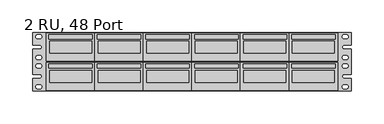
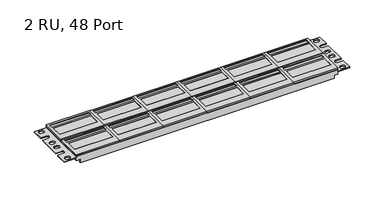
"""IFC4 building model written with IfcOpenShell, lengths in millimetres: electric appliance geometry, 2 RU, 48 Port."""

from ifc_helpers import new_model, si_unit, frame, origin, place, context, project, spatial, polyline, circle_curve, outline, extrude, faceted_brep, source, transform, mapped, element, save
from ifc_brep_helpers import plane_surface, revolved_surface, advanced_brep


def electric_appliance_2_ru_48_port_1544921a(model_context):
    return source(origin(), model_context, "Body", "SolidModel", [
        faceted_brep([(221.107, 5.461, 6.7056), (147.193, 5.461, 6.7056), (147.193, -37.211, 6.7056), (221.107, -37.211, 6.7056), (152.2476, -25.019, 6.7056), (152.2476, -6.731, 6.7056), (216.0524, -6.731, 6.7056), (216.0524, -25.019, 6.7056), (151.165125, 2.923975, 6.7056), (217.134875, 2.923975, 6.7056), (217.134875, -3.279575, 6.7056), (151.165125, -3.279575, 6.7056), (221.107, 5.461, 4.064), (221.107, -37.211, 4.064), (147.193, -37.211, 4.064), (147.193, 5.461, 4.064), (152.2476, -6.731, 4.064), (152.2476, -25.019, 4.064), (216.0524, -25.019, 4.064), (216.0524, -6.731, 4.064), (217.134875, 2.923975, 5.08), (151.165125, 2.923975, 5.08), (151.165125, -3.279575, 5.08), (217.134875, -3.279575, 5.08)], [[[0, 1, 2, 3], [4, 5, 6, 7], [8, 9, 10, 11]], [[12, 13, 14, 15], [16, 17, 18, 19]], [[1, 0, 12, 15]], [[2, 1, 15, 14]], [[3, 2, 14, 13]], [[0, 3, 13, 12]], [[16, 5, 4, 17]], [[5, 16, 19, 6]], [[17, 4, 7, 18]], [[6, 19, 18, 7]], [[20, 21, 22, 23]], [[21, 20, 9, 8]], [[22, 21, 8, 11]], [[23, 22, 11, 10]], [[20, 23, 10, 9]]]),
        extrude(outline(polyline([(152.2476, -25.019), (152.2476, -6.731), (216.0524, -6.731), (216.0524, -25.019), (152.2476, -25.019)])), frame((0.0, 0.0, 4.064), z_axis=(0.0, 0.0, 1.0), x_axis=(1.0, 0.0, 0.0)), (0.0, 0.0, 1.0), 2.6416),
        faceted_brep([(221.107, -38.989, 6.7056), (147.193, -38.989, 6.7056), (147.193, -81.661, 6.7056), (221.107, -81.661, 6.7056), (152.2476, -69.469, 6.7056), (152.2476, -51.181, 6.7056), (216.0524, -51.181, 6.7056), (216.0524, -69.469, 6.7056), (151.165125, -41.526025, 6.7056), (217.134875, -41.526025, 6.7056), (217.134875, -47.729575, 6.7056), (151.165125, -47.729575, 6.7056), (221.107, -38.989, 4.064), (221.107, -81.661, 4.064), (147.193, -81.661, 4.064), (147.193, -38.989, 4.064), (152.2476, -51.181, 4.064), (152.2476, -69.469, 4.064), (216.0524, -69.469, 4.064), (216.0524, -51.181, 4.064), (217.134875, -41.526025, 5.08), (151.165125, -41.526025, 5.08), (151.165125, -47.729575, 5.08), (217.134875, -47.729575, 5.08)], [[[0, 1, 2, 3], [4, 5, 6, 7], [8, 9, 10, 11]], [[12, 13, 14, 15], [16, 17, 18, 19]], [[1, 0, 12, 15]], [[2, 1, 15, 14]], [[3, 2, 14, 13]], [[0, 3, 13, 12]], [[16, 5, 4, 17]], [[5, 16, 19, 6]], [[17, 4, 7, 18]], [[6, 19, 18, 7]], [[20, 21, 22, 23]], [[21, 20, 9, 8]], [[22, 21, 8, 11]], [[23, 22, 11, 10]], [[20, 23, 10, 9]]]),
        extrude(outline(polyline([(152.2476, -69.469), (152.2476, -51.181), (216.0524, -51.181), (216.0524, -69.469), (152.2476, -69.469)])), frame((0.0, 0.0, 4.064), z_axis=(0.0, 0.0, 1.0), x_axis=(1.0, 0.0, 0.0)), (0.0, 0.0, 1.0), 2.6416),
        faceted_brep([(147.447, -38.989, 6.7056), (73.533, -38.989, 6.7056), (73.533, -81.661, 6.7056), (147.447, -81.661, 6.7056), (78.5876, -69.469, 6.7056), (78.5876, -51.181, 6.7056), (142.3924, -51.181, 6.7056), (142.3924, -69.469, 6.7056), (77.505125, -41.526025, 6.7056), (143.474875, -41.526025, 6.7056), (143.474875, -47.729575, 6.7056), (77.505125, -47.729575, 6.7056), (147.447, -38.989, 4.064), (147.447, -81.661, 4.064), (73.533, -81.661, 4.064), (73.533, -38.989, 4.064), (78.5876, -51.181, 4.064), (78.5876, -69.469, 4.064), (142.3924, -69.469, 4.064), (142.3924, -51.181, 4.064), (143.474875, -41.526025, 5.08), (77.505125, -41.526025, 5.08), (77.505125, -47.729575, 5.08), (143.474875, -47.729575, 5.08)], [[[0, 1, 2, 3], [4, 5, 6, 7], [8, 9, 10, 11]], [[12, 13, 14, 15], [16, 17, 18, 19]], [[1, 0, 12, 15]], [[2, 1, 15, 14]], [[3, 2, 14, 13]], [[0, 3, 13, 12]], [[16, 5, 4, 17]], [[5, 16, 19, 6]], [[17, 4, 7, 18]], [[6, 19, 18, 7]], [[20, 21, 22, 23]], [[21, 20, 9, 8]], [[22, 21, 8, 11]], [[23, 22, 11, 10]], [[20, 23, 10, 9]]]),
        extrude(outline(polyline([(78.5876, -69.469), (78.5876, -51.181), (142.3924, -51.181), (142.3924, -69.469), (78.5876, -69.469)])), frame((0.0, 0.0, 4.064), z_axis=(0.0, 0.0, 1.0), x_axis=(1.0, 0.0, 0.0)), (0.0, 0.0, 1.0), 2.6416),
        faceted_brep([(147.447, 5.461, 6.7056), (73.533, 5.461, 6.7056), (73.533, -37.211, 6.7056), (147.447, -37.211, 6.7056), (78.5876, -25.019, 6.7056), (78.5876, -6.731, 6.7056), (142.3924, -6.731, 6.7056), (142.3924, -25.019, 6.7056), (77.505125, 2.923975, 6.7056), (143.474875, 2.923975, 6.7056), (143.474875, -3.279575, 6.7056), (77.505125, -3.279575, 6.7056), (147.447, 5.461, 4.064), (147.447, -37.211, 4.064), (73.533, -37.211, 4.064), (73.533, 5.461, 4.064), (78.5876, -6.731, 4.064), (78.5876, -25.019, 4.064), (142.3924, -25.019, 4.064), (142.3924, -6.731, 4.064), (143.474875, 2.923975, 5.08), (77.505125, 2.923975, 5.08), (77.505125, -3.279575, 5.08), (143.474875, -3.279575, 5.08)], [[[0, 1, 2, 3], [4, 5, 6, 7], [8, 9, 10, 11]], [[12, 13, 14, 15], [16, 17, 18, 19]], [[1, 0, 12, 15]], [[2, 1, 15, 14]], [[3, 2, 14, 13]], [[0, 3, 13, 12]], [[16, 5, 4, 17]], [[5, 16, 19, 6]], [[17, 4, 7, 18]], [[6, 19, 18, 7]], [[20, 21, 22, 23]], [[21, 20, 9, 8]], [[22, 21, 8, 11]], [[23, 22, 11, 10]], [[20, 23, 10, 9]]]),
        extrude(outline(polyline([(78.5876, -25.019), (78.5876, -6.731), (142.3924, -6.731), (142.3924, -25.019), (78.5876, -25.019)])), frame((0.0, 0.0, 4.064), z_axis=(0.0, 0.0, 1.0), x_axis=(1.0, 0.0, 0.0)), (0.0, 0.0, 1.0), 2.6416),
        faceted_brep([(73.787, 5.461, 6.7056), (-0.127, 5.461, 6.7056), (-0.127, -37.211, 6.7056), (73.787, -37.211, 6.7056), (4.9276, -25.019, 6.7056), (4.9276, -6.731, 6.7056), (68.7324, -6.731, 6.7056), (68.7324, -25.019, 6.7056), (3.845125, 2.923975, 6.7056), (69.814875, 2.923975, 6.7056), (69.814875, -3.279575, 6.7056), (3.845125, -3.279575, 6.7056), (73.787, 5.461, 4.064), (73.787, -37.211, 4.064), (-0.127, -37.211, 4.064), (-0.127, 5.461, 4.064), (4.9276, -6.731, 4.064), (4.9276, -25.019, 4.064), (68.7324, -25.019, 4.064), (68.7324, -6.731, 4.064), (69.814875, 2.923975, 5.08), (3.845125, 2.923975, 5.08), (3.845125, -3.279575, 5.08), (69.814875, -3.279575, 5.08)], [[[0, 1, 2, 3], [4, 5, 6, 7], [8, 9, 10, 11]], [[12, 13, 14, 15], [16, 17, 18, 19]], [[1, 0, 12, 15]], [[2, 1, 15, 14]], [[3, 2, 14, 13]], [[0, 3, 13, 12]], [[16, 5, 4, 17]], [[5, 16, 19, 6]], [[17, 4, 7, 18]], [[6, 19, 18, 7]], [[20, 21, 22, 23]], [[21, 20, 9, 8]], [[22, 21, 8, 11]], [[23, 22, 11, 10]], [[20, 23, 10, 9]]]),
        extrude(outline(polyline([(4.9276, -25.019), (4.9276, -6.731), (68.7324, -6.731), (68.7324, -25.019), (4.9276, -25.019)])), frame((0.0, 0.0, 4.064), z_axis=(0.0, 0.0, 1.0), x_axis=(1.0, 0.0, 0.0)), (0.0, 0.0, 1.0), 2.6416),
        faceted_brep([(73.787, -38.989, 6.7056), (-0.127, -38.989, 6.7056), (-0.127, -81.661, 6.7056), (73.787, -81.661, 6.7056), (4.9276, -69.469, 6.7056), (4.9276, -51.181, 6.7056), (68.7324, -51.181, 6.7056), (68.7324, -69.469, 6.7056), (3.845125, -41.526025, 6.7056), (69.814875, -41.526025, 6.7056), (69.814875, -47.729575, 6.7056), (3.845125, -47.729575, 6.7056), (73.787, -38.989, 4.064), (73.787, -81.661, 4.064), (-0.127, -81.661, 4.064), (-0.127, -38.989, 4.064), (4.9276, -51.181, 4.064), (4.9276, -69.469, 4.064), (68.7324, -69.469, 4.064), (68.7324, -51.181, 4.064), (69.814875, -41.526025, 5.08), (3.845125, -41.526025, 5.08), (3.845125, -47.729575, 5.08), (69.814875, -47.729575, 5.08)], [[[0, 1, 2, 3], [4, 5, 6, 7], [8, 9, 10, 11]], [[12, 13, 14, 15], [16, 17, 18, 19]], [[1, 0, 12, 15]], [[2, 1, 15, 14]], [[3, 2, 14, 13]], [[0, 3, 13, 12]], [[16, 5, 4, 17]], [[5, 16, 19, 6]], [[17, 4, 7, 18]], [[6, 19, 18, 7]], [[20, 21, 22, 23]], [[21, 20, 9, 8]], [[22, 21, 8, 11]], [[23, 22, 11, 10]], [[20, 23, 10, 9]]]),
        extrude(outline(polyline([(4.9276, -69.469), (4.9276, -51.181), (68.7324, -51.181), (68.7324, -69.469), (4.9276, -69.469)])), frame((0.0, 0.0, 4.064), z_axis=(0.0, 0.0, 1.0), x_axis=(1.0, 0.0, 0.0)), (0.0, 0.0, 1.0), 2.6416),
        faceted_brep([(0.127, -38.989, 6.7056), (-73.787, -38.989, 6.7056), (-73.787, -81.661, 6.7056), (0.127, -81.661, 6.7056), (-68.7324, -69.469, 6.7056), (-68.7324, -51.181, 6.7056), (-4.9276, -51.181, 6.7056), (-4.9276, -69.469, 6.7056), (-69.814875, -41.526025, 6.7056), (-3.845125, -41.526025, 6.7056), (-3.845125, -47.729575, 6.7056), (-69.814875, -47.729575, 6.7056), (0.127, -38.989, 4.064), (0.127, -81.661, 4.064), (-73.787, -81.661, 4.064), (-73.787, -38.989, 4.064), (-68.7324, -51.181, 4.064), (-68.7324, -69.469, 4.064), (-4.9276, -69.469, 4.064), (-4.9276, -51.181, 4.064), (-3.845125, -41.526025, 5.08), (-69.814875, -41.526025, 5.08), (-69.814875, -47.729575, 5.08), (-3.845125, -47.729575, 5.08)], [[[0, 1, 2, 3], [4, 5, 6, 7], [8, 9, 10, 11]], [[12, 13, 14, 15], [16, 17, 18, 19]], [[1, 0, 12, 15]], [[2, 1, 15, 14]], [[3, 2, 14, 13]], [[0, 3, 13, 12]], [[16, 5, 4, 17]], [[5, 16, 19, 6]], [[17, 4, 7, 18]], [[6, 19, 18, 7]], [[20, 21, 22, 23]], [[21, 20, 9, 8]], [[22, 21, 8, 11]], [[23, 22, 11, 10]], [[20, 23, 10, 9]]]),
        extrude(outline(polyline([(-68.7324, -69.469), (-68.7324, -51.181), (-4.9276, -51.181), (-4.9276, -69.469), (-68.7324, -69.469)])), frame((0.0, 0.0, 4.064), z_axis=(0.0, 0.0, 1.0), x_axis=(1.0, 0.0, 0.0)), (0.0, 0.0, 1.0), 2.6416),
        faceted_brep([(0.127, 5.461, 6.7056), (-73.787, 5.461, 6.7056), (-73.787, -37.211, 6.7056), (0.127, -37.211, 6.7056), (-68.7324, -25.019, 6.7056), (-68.7324, -6.731, 6.7056), (-4.9276, -6.731, 6.7056), (-4.9276, -25.019, 6.7056), (-69.814875, 2.923975, 6.7056), (-3.845125, 2.923975, 6.7056), (-3.845125, -3.279575, 6.7056), (-69.814875, -3.279575, 6.7056), (0.127, 5.461, 4.064), (0.127, -37.211, 4.064), (-73.787, -37.211, 4.064), (-73.787, 5.461, 4.064), (-68.7324, -6.731, 4.064), (-68.7324, -25.019, 4.064), (-4.9276, -25.019, 4.064), (-4.9276, -6.731, 4.064), (-3.845125, 2.923975, 5.08), (-69.814875, 2.923975, 5.08), (-69.814875, -3.279575, 5.08), (-3.845125, -3.279575, 5.08)], [[[0, 1, 2, 3], [4, 5, 6, 7], [8, 9, 10, 11]], [[12, 13, 14, 15], [16, 17, 18, 19]], [[1, 0, 12, 15]], [[2, 1, 15, 14]], [[3, 2, 14, 13]], [[0, 3, 13, 12]], [[16, 5, 4, 17]], [[5, 16, 19, 6]], [[17, 4, 7, 18]], [[6, 19, 18, 7]], [[20, 21, 22, 23]], [[21, 20, 9, 8]], [[22, 21, 8, 11]], [[23, 22, 11, 10]], [[20, 23, 10, 9]]]),
        extrude(outline(polyline([(-68.7324, -25.019), (-68.7324, -6.731), (-4.9276, -6.731), (-4.9276, -25.019), (-68.7324, -25.019)])), frame((0.0, 0.0, 4.064), z_axis=(0.0, 0.0, 1.0), x_axis=(1.0, 0.0, 0.0)), (0.0, 0.0, 1.0), 2.6416),
        faceted_brep([(-73.533, 5.461, 6.7056), (-147.447, 5.461, 6.7056), (-147.447, -37.211, 6.7056), (-73.533, -37.211, 6.7056), (-142.3924, -25.019, 6.7056), (-142.3924, -6.731, 6.7056), (-78.5876, -6.731, 6.7056), (-78.5876, -25.019, 6.7056), (-143.474875, 2.923975, 6.7056), (-77.505125, 2.923975, 6.7056), (-77.505125, -3.279575, 6.7056), (-143.474875, -3.279575, 6.7056), (-73.533, 5.461, 4.064), (-73.533, -37.211, 4.064), (-147.447, -37.211, 4.064), (-147.447, 5.461, 4.064), (-142.3924, -6.731, 4.064), (-142.3924, -25.019, 4.064), (-78.5876, -25.019, 4.064), (-78.5876, -6.731, 4.064), (-77.505125, 2.923975, 5.08), (-143.474875, 2.923975, 5.08), (-143.474875, -3.279575, 5.08), (-77.505125, -3.279575, 5.08)], [[[0, 1, 2, 3], [4, 5, 6, 7], [8, 9, 10, 11]], [[12, 13, 14, 15], [16, 17, 18, 19]], [[1, 0, 12, 15]], [[2, 1, 15, 14]], [[3, 2, 14, 13]], [[0, 3, 13, 12]], [[16, 5, 4, 17]], [[5, 16, 19, 6]], [[17, 4, 7, 18]], [[6, 19, 18, 7]], [[20, 21, 22, 23]], [[21, 20, 9, 8]], [[22, 21, 8, 11]], [[23, 22, 11, 10]], [[20, 23, 10, 9]]]),
        extrude(outline(polyline([(-142.3924, -25.019), (-142.3924, -6.731), (-78.5876, -6.731), (-78.5876, -25.019), (-142.3924, -25.019)])), frame((0.0, 0.0, 4.064), z_axis=(0.0, 0.0, 1.0), x_axis=(1.0, 0.0, 0.0)), (0.0, 0.0, 1.0), 2.6416),
        faceted_brep([(-73.533, -38.989, 6.7056), (-147.447, -38.989, 6.7056), (-147.447, -81.661, 6.7056), (-73.533, -81.661, 6.7056), (-142.3924, -69.469, 6.7056), (-142.3924, -51.181, 6.7056), (-78.5876, -51.181, 6.7056), (-78.5876, -69.469, 6.7056), (-143.474875, -41.526025, 6.7056), (-77.505125, -41.526025, 6.7056), (-77.505125, -47.729575, 6.7056), (-143.474875, -47.729575, 6.7056), (-73.533, -38.989, 4.064), (-73.533, -81.661, 4.064), (-147.447, -81.661, 4.064), (-147.447, -38.989, 4.064), (-142.3924, -51.181, 4.064), (-142.3924, -69.469, 4.064), (-78.5876, -69.469, 4.064), (-78.5876, -51.181, 4.064), (-77.505125, -41.526025, 5.08), (-143.474875, -41.526025, 5.08), (-143.474875, -47.729575, 5.08), (-77.505125, -47.729575, 5.08)], [[[0, 1, 2, 3], [4, 5, 6, 7], [8, 9, 10, 11]], [[12, 13, 14, 15], [16, 17, 18, 19]], [[1, 0, 12, 15]], [[2, 1, 15, 14]], [[3, 2, 14, 13]], [[0, 3, 13, 12]], [[16, 5, 4, 17]], [[5, 16, 19, 6]], [[17, 4, 7, 18]], [[6, 19, 18, 7]], [[20, 21, 22, 23]], [[21, 20, 9, 8]], [[22, 21, 8, 11]], [[23, 22, 11, 10]], [[20, 23, 10, 9]]]),
        extrude(outline(polyline([(-142.3924, -69.469), (-142.3924, -51.181), (-78.5876, -51.181), (-78.5876, -69.469), (-142.3924, -69.469)])), frame((0.0, 0.0, 4.064), z_axis=(0.0, 0.0, 1.0), x_axis=(1.0, 0.0, 0.0)), (0.0, 0.0, 1.0), 2.6416),
        faceted_brep([(-147.193, 5.461, 6.7056), (-221.107, 5.461, 6.7056), (-221.107, -37.211, 6.7056), (-147.193, -37.211, 6.7056), (-216.0524, -25.019, 6.7056), (-216.0524, -6.731, 6.7056), (-152.2476, -6.731, 6.7056), (-152.2476, -25.019, 6.7056), (-217.134875, 2.923975, 6.7056), (-151.165125, 2.923975, 6.7056), (-151.165125, -3.279575, 6.7056), (-217.134875, -3.279575, 6.7056), (-147.193, 5.461, 4.064), (-147.193, -37.211, 4.064), (-221.107, -37.211, 4.064), (-221.107, 5.461, 4.064), (-216.0524, -6.731, 4.064), (-216.0524, -25.019, 4.064), (-152.2476, -25.019, 4.064), (-152.2476, -6.731, 4.064), (-151.165125, 2.923975, 5.08), (-217.134875, 2.923975, 5.08), (-217.134875, -3.279575, 5.08), (-151.165125, -3.279575, 5.08)], [[[0, 1, 2, 3], [4, 5, 6, 7], [8, 9, 10, 11]], [[12, 13, 14, 15], [16, 17, 18, 19]], [[1, 0, 12, 15]], [[2, 1, 15, 14]], [[3, 2, 14, 13]], [[0, 3, 13, 12]], [[16, 5, 4, 17]], [[5, 16, 19, 6]], [[17, 4, 7, 18]], [[6, 19, 18, 7]], [[20, 21, 22, 23]], [[21, 20, 9, 8]], [[22, 21, 8, 11]], [[23, 22, 11, 10]], [[20, 23, 10, 9]]]),
        extrude(outline(polyline([(-216.0524, -25.019), (-216.0524, -6.731), (-152.2476, -6.731), (-152.2476, -25.019), (-216.0524, -25.019)])), frame((0.0, 0.0, 4.064), z_axis=(0.0, 0.0, 1.0), x_axis=(1.0, 0.0, 0.0)), (0.0, 0.0, 1.0), 2.6416),
        faceted_brep([(-147.193, -38.989, 6.7056), (-221.107, -38.989, 6.7056), (-221.107, -81.661, 6.7056), (-147.193, -81.661, 6.7056), (-216.0524, -69.469, 6.7056), (-216.0524, -51.181, 6.7056), (-152.2476, -51.181, 6.7056), (-152.2476, -69.469, 6.7056), (-217.134875, -41.526025, 6.7056), (-151.165125, -41.526025, 6.7056), (-151.165125, -47.729575, 6.7056), (-217.134875, -47.729575, 6.7056), (-147.193, -38.989, 4.064), (-147.193, -81.661, 4.064), (-221.107, -81.661, 4.064), (-221.107, -38.989, 4.064), (-216.0524, -51.181, 4.064), (-216.0524, -69.469, 4.064), (-152.2476, -69.469, 4.064), (-152.2476, -51.181, 4.064), (-151.165125, -41.526025, 5.08), (-217.134875, -41.526025, 5.08), (-217.134875, -47.729575, 5.08), (-151.165125, -47.729575, 5.08)], [[[0, 1, 2, 3], [4, 5, 6, 7], [8, 9, 10, 11]], [[12, 13, 14, 15], [16, 17, 18, 19]], [[1, 0, 12, 15]], [[2, 1, 15, 14]], [[3, 2, 14, 13]], [[0, 3, 13, 12]], [[16, 5, 4, 17]], [[5, 16, 19, 6]], [[17, 4, 7, 18]], [[6, 19, 18, 7]], [[20, 21, 22, 23]], [[21, 20, 9, 8]], [[22, 21, 8, 11]], [[23, 22, 11, 10]], [[20, 23, 10, 9]]]),
        extrude(outline(polyline([(-216.0524, -69.469), (-216.0524, -51.181), (-152.2476, -51.181), (-152.2476, -69.469), (-216.0524, -69.469)])), frame((0.0, 0.0, 4.064), z_axis=(0.0, 0.0, 1.0), x_axis=(1.0, 0.0, 0.0)), (0.0, 0.0, 1.0), 2.6416),
        advanced_brep(
        [(241.3, -82.169, 1.524), (220.599, -82.169, 1.524), (220.599, -82.169, 4.064), (-220.599, -82.169, 4.064), (-220.599, -82.169, 1.524), (-241.3, -82.169, 1.524), (-241.3, -82.169, 0.0), (-220.98, -82.169, 0.0), (-220.98, -82.169, -4.064), (-214.63, -82.169, -4.064), (-214.63, -82.169, -9.652), (214.63, -82.169, -9.652), (214.63, -82.169, -4.064), (220.98, -82.169, -4.064), (220.98, -82.169, 0.0), (241.3, -82.169, 0.0), (241.3, 5.969, 1.524), (241.3, 5.969, 0.0), (220.98, 5.969, 0.0), (220.98, 5.969, -4.064), (214.63, 5.969, -4.064), (214.63, 5.969, -9.652), (-214.63, 5.969, -9.652), (-214.63, 5.969, -4.064), (-220.98, 5.969, -4.064), (-220.98, 5.969, 0.0), (-241.3, 5.969, 0.0), (-241.3, 5.969, 1.524), (-220.599, 5.969, 1.524), (-220.599, 5.969, 4.064), (220.599, 5.969, 4.064), (220.599, 5.969, 1.524), (241.3, -63.5, 1.524), (231.14, -63.5, 1.524), (231.14, -57.15, 1.524), (241.3, -57.15, 1.524), (241.3, -19.05, 1.524), (231.14, -19.05, 1.524), (231.14, -12.7, 1.524), (241.3, -12.7, 1.524), (233.68, 3.175, 1.524), (233.68, -3.175, 1.524), (231.14, -3.175, 1.524), (231.14, 3.175, 1.524), (233.68, -28.575, 1.524), (233.68, -34.925, 1.524), (231.14, -34.925, 1.524), (231.14, -28.575, 1.524), (233.68, -41.275, 1.524), (233.68, -47.625, 1.524), (231.14, -47.625, 1.524), (231.14, -41.275, 1.524), (233.68, -73.025, 1.524), (233.68, -79.375, 1.524), (231.14, -79.375, 1.524), (231.14, -73.025, 1.524), (-152.146, -6.731, 4.064), (-152.146, -25.019, 4.064), (-216.154, -25.019, 4.064), (-216.154, -6.731, 4.064), (152.146, -25.019, 4.064), (152.146, -6.731, 4.064), (216.154, -6.731, 4.064), (216.154, -25.019, 4.064), (-216.154, -51.181, 4.064), (-152.146, -51.181, 4.064), (-152.146, -69.469, 4.064), (-216.154, -69.469, 4.064), (216.154, -69.469, 4.064), (152.146, -69.469, 4.064), (152.146, -51.181, 4.064), (216.154, -51.181, 4.064), (-78.486, -69.469, 4.064), (-142.494, -69.469, 4.064), (-142.494, -51.181, 4.064), (-78.486, -51.181, 4.064), (-4.826, -69.469, 4.064), (-68.834, -69.469, 4.064), (-68.834, -51.181, 4.064), (-4.826, -51.181, 4.064), (68.834, -69.469, 4.064), (4.826, -69.469, 4.064), (4.826, -51.181, 4.064), (68.834, -51.181, 4.064), (142.494, -69.469, 4.064), (78.486, -69.469, 4.064), (78.486, -51.181, 4.064), (142.494, -51.181, 4.064), (78.486, -6.731, 4.064), (142.494, -6.731, 4.064), (142.494, -25.019, 4.064), (78.486, -25.019, 4.064), (4.826, -6.731, 4.064), (68.834, -6.731, 4.064), (68.834, -25.019, 4.064), (4.826, -25.019, 4.064), (-68.834, -6.731, 4.064), (-4.826, -6.731, 4.064), (-4.826, -25.019, 4.064), (-68.834, -25.019, 4.064), (-142.494, -6.731, 4.064), (-78.486, -6.731, 4.064), (-78.486, -25.019, 4.064), (-142.494, -25.019, 4.064), (-241.3, -12.7, 1.524), (-231.14, -12.7, 1.524), (-231.14, -19.05, 1.524), (-241.3, -19.05, 1.524), (-241.3, -57.15, 1.524), (-231.14, -57.15, 1.524), (-231.14, -63.5, 1.524), (-241.3, -63.5, 1.524), (-231.14, -3.175, 1.524), (-233.68, -3.175, 1.524), (-233.68, 3.175, 1.524), (-231.14, 3.175, 1.524), (-231.14, -34.925, 1.524), (-233.68, -34.925, 1.524), (-233.68, -28.575, 1.524), (-231.14, -28.575, 1.524), (-231.14, -47.625, 1.524), (-233.68, -47.625, 1.524), (-233.68, -41.275, 1.524), (-231.14, -41.275, 1.524), (-231.14, -79.375, 1.524), (-233.68, -79.375, 1.524), (-233.68, -73.025, 1.524), (-231.14, -73.025, 1.524), (-241.3, -63.5, 0.0), (-241.3, -12.7, 0.0), (-241.3, -19.05, 0.0), (-241.3, -57.15, 0.0), (-231.14, -63.5, 0.0), (-231.14, -57.15, 0.0), (-231.14, -19.05, 0.0), (-231.14, -12.7, 0.0), (-220.98, 4.445, 0.0), (220.98, 4.445, 0.0), (241.3, -12.7, 0.0), (231.14, -12.7, 0.0), (231.14, -19.05, 0.0), (241.3, -19.05, 0.0), (241.3, -57.15, 0.0), (231.14, -57.15, 0.0), (231.14, -63.5, 0.0), (241.3, -63.5, 0.0), (220.98, -80.645, 0.0), (-220.98, -80.645, 0.0), (-233.68, -3.175, 0.0), (-231.14, -3.175, 0.0), (-231.14, 3.175, 0.0), (-233.68, 3.175, 0.0), (-233.68, -34.925, 0.0), (-231.14, -34.925, 0.0), (-231.14, -28.575, 0.0), (-233.68, -28.575, 0.0), (-233.68, -47.625, 0.0), (-231.14, -47.625, 0.0), (-231.14, -41.275, 0.0), (-233.68, -41.275, 0.0), (-233.68, -79.375, 0.0), (-231.14, -79.375, 0.0), (-231.14, -73.025, 0.0), (-233.68, -73.025, 0.0), (233.68, -3.175, 0.0), (233.68, 3.175, 0.0), (231.14, 3.175, 0.0), (231.14, -3.175, 0.0), (233.68, -34.925, 0.0), (233.68, -28.575, 0.0), (231.14, -28.575, 0.0), (231.14, -34.925, 0.0), (233.68, -47.625, 0.0), (233.68, -41.275, 0.0), (231.14, -41.275, 0.0), (231.14, -47.625, 0.0), (233.68, -79.375, 0.0), (233.68, -73.025, 0.0), (231.14, -73.025, 0.0), (231.14, -79.375, 0.0), (-152.146, -25.019, 0.0), (-152.146, -6.731, 0.0), (-216.154, -6.731, 0.0), (-216.154, -25.019, 0.0), (152.146, -6.731, 0.0), (152.146, -25.019, 0.0), (216.154, -25.019, 0.0), (216.154, -6.731, 0.0), (-152.146, -51.181, 0.0), (-216.154, -51.181, 0.0), (-216.154, -69.469, 0.0), (-152.146, -69.469, 0.0), (152.146, -69.469, 0.0), (216.154, -69.469, 0.0), (216.154, -51.181, 0.0), (152.146, -51.181, 0.0), (-142.494, -69.469, 0.0), (-78.486, -69.469, 0.0), (-78.486, -51.181, 0.0), (-142.494, -51.181, 0.0), (-68.834, -69.469, 0.0), (-4.826, -69.469, 0.0), (-4.826, -51.181, 0.0), (-68.834, -51.181, 0.0), (4.826, -69.469, 0.0), (68.834, -69.469, 0.0), (68.834, -51.181, 0.0), (4.826, -51.181, 0.0), (78.486, -69.469, 0.0), (142.494, -69.469, 0.0), (142.494, -51.181, 0.0), (78.486, -51.181, 0.0), (142.494, -6.731, 0.0), (78.486, -6.731, 0.0), (78.486, -25.019, 0.0), (142.494, -25.019, 0.0), (68.834, -6.731, 0.0), (4.826, -6.731, 0.0), (4.826, -25.019, 0.0), (68.834, -25.019, 0.0), (-4.826, -6.731, 0.0), (-68.834, -6.731, 0.0), (-68.834, -25.019, 0.0), (-4.826, -25.019, 0.0), (-78.486, -6.731, 0.0), (-142.494, -6.731, 0.0), (-142.494, -25.019, 0.0), (-78.486, -25.019, 0.0), (-220.98, -80.645, -4.064), (-220.98, 4.445, -4.064), (-214.63, -80.645, -4.064), (-214.63, 4.445, -4.064), (-214.63, -80.645, -9.652), (-214.63, 4.445, -9.652), (214.63, -80.645, -9.652), (214.63, 4.445, -9.652), (214.63, -80.645, -4.064), (214.63, 4.445, -4.064), (220.98, -80.645, -4.064), (220.98, 4.445, -4.064)],
        [
            (0, 1),
            (1, 2),
            (2, 3),
            (3, 4),
            (4, 5),
            (5, 6),
            (6, 7),
            (7, 8),
            (8, 9),
            (9, 10),
            (10, 11),
            (11, 12),
            (12, 13),
            (13, 14),
            (14, 15),
            (15, 0),
            (16, 17),
            (17, 18),
            (18, 19),
            (19, 20),
            (20, 21),
            (21, 22),
            (22, 23),
            (23, 24),
            (24, 25),
            (25, 26),
            (26, 27),
            (27, 28),
            (28, 29),
            (29, 30),
            (30, 31),
            (31, 16),
            (0, 32),
            (32, 33),
            (33, 34, circle_curve(frame((231.14, -60.325, 1.524), z_axis=(0.0, 0.0, -1.0), x_axis=(1.0, 0.0, 0.0)), 3.175)),
            (34, 35),
            (35, 36),
            (36, 37),
            (37, 38, circle_curve(frame((231.14, -15.875, 1.524), z_axis=(0.0, 0.0, -1.0), x_axis=(1.0, 0.0, 0.0)), 3.175)),
            (38, 39),
            (39, 16),
            (31, 1),
            (40, 41, circle_curve(frame((233.68, 0.0, 1.524), z_axis=(0.0, 0.0, -1.0), x_axis=(1.0, 0.0, 0.0)), 3.175)),
            (41, 42),
            (42, 43, circle_curve(frame((231.14, 0.0, 1.524), z_axis=(0.0, 0.0, -1.0), x_axis=(1.0, 0.0, 0.0)), 3.175)),
            (43, 40),
            (44, 45, circle_curve(frame((233.68, -31.75, 1.524), z_axis=(0.0, 0.0, -1.0), x_axis=(1.0, 0.0, 0.0)), 3.175)),
            (45, 46),
            (46, 47, circle_curve(frame((231.14, -31.75, 1.524), z_axis=(0.0, 0.0, -1.0), x_axis=(1.0, 0.0, 0.0)), 3.175)),
            (47, 44),
            (48, 49, circle_curve(frame((233.68, -44.45, 1.524), z_axis=(0.0, 0.0, -1.0), x_axis=(1.0, 0.0, 0.0)), 3.175)),
            (49, 50),
            (50, 51, circle_curve(frame((231.14, -44.45, 1.524), z_axis=(0.0, 0.0, -1.0), x_axis=(1.0, 0.0, 0.0)), 3.175)),
            (51, 48),
            (52, 53, circle_curve(frame((233.68, -76.2, 1.524), z_axis=(0.0, 0.0, -1.0), x_axis=(1.0, 0.0, 0.0)), 3.175)),
            (53, 54),
            (54, 55, circle_curve(frame((231.14, -76.2, 1.524), z_axis=(0.0, 0.0, -1.0), x_axis=(1.0, 0.0, 0.0)), 3.175)),
            (55, 52),
            (30, 2),
            (29, 3),
            (56, 57),
            (57, 58),
            (58, 59),
            (59, 56),
            (60, 61),
            (61, 62),
            (62, 63),
            (63, 60),
            (64, 65),
            (65, 66),
            (66, 67),
            (67, 64),
            (68, 69),
            (69, 70),
            (70, 71),
            (71, 68),
            (72, 73),
            (73, 74),
            (74, 75),
            (75, 72),
            (76, 77),
            (77, 78),
            (78, 79),
            (79, 76),
            (80, 81),
            (81, 82),
            (82, 83),
            (83, 80),
            (84, 85),
            (85, 86),
            (86, 87),
            (87, 84),
            (88, 89),
            (89, 90),
            (90, 91),
            (91, 88),
            (92, 93),
            (93, 94),
            (94, 95),
            (95, 92),
            (96, 97),
            (97, 98),
            (98, 99),
            (99, 96),
            (100, 101),
            (101, 102),
            (102, 103),
            (103, 100),
            (28, 4),
            (27, 104),
            (104, 105),
            (105, 106, circle_curve(frame((-231.14, -15.875, 1.524), z_axis=(0.0, 0.0, -1.0), x_axis=(1.0, 0.0, 0.0)), 3.175)),
            (106, 107),
            (107, 108),
            (108, 109),
            (109, 110, circle_curve(frame((-231.14, -60.325, 1.524), z_axis=(0.0, 0.0, -1.0), x_axis=(1.0, 0.0, 0.0)), 3.175)),
            (110, 111),
            (111, 5),
            (112, 113),
            (113, 114, circle_curve(frame((-233.68, 0.0, 1.524), z_axis=(0.0, 0.0, -1.0), x_axis=(1.0, 0.0, 0.0)), 3.175)),
            (114, 115),
            (115, 112, circle_curve(frame((-231.14, 0.0, 1.524), z_axis=(0.0, 0.0, -1.0), x_axis=(1.0, 0.0, 0.0)), 3.175)),
            (116, 117),
            (117, 118, circle_curve(frame((-233.68, -31.75, 1.524), z_axis=(0.0, 0.0, -1.0), x_axis=(1.0, 0.0, 0.0)), 3.175)),
            (118, 119),
            (119, 116, circle_curve(frame((-231.14, -31.75, 1.524), z_axis=(0.0, 0.0, -1.0), x_axis=(1.0, 0.0, 0.0)), 3.175)),
            (120, 121),
            (121, 122, circle_curve(frame((-233.68, -44.45, 1.524), z_axis=(0.0, 0.0, -1.0), x_axis=(1.0, 0.0, 0.0)), 3.175)),
            (122, 123),
            (123, 120, circle_curve(frame((-231.14, -44.45, 1.524), z_axis=(0.0, 0.0, -1.0), x_axis=(1.0, 0.0, 0.0)), 3.175)),
            (124, 125),
            (125, 126, circle_curve(frame((-233.68, -76.2, 1.524), z_axis=(0.0, 0.0, -1.0), x_axis=(1.0, 0.0, 0.0)), 3.175)),
            (126, 127),
            (127, 124, circle_curve(frame((-231.14, -76.2, 1.524), z_axis=(0.0, 0.0, -1.0), x_axis=(1.0, 0.0, 0.0)), 3.175)),
            (111, 128),
            (128, 6),
            (26, 129),
            (129, 104),
            (107, 130),
            (130, 131),
            (131, 108),
            (128, 132),
            (132, 133, circle_curve(frame((-231.14, -60.325, 0.0), z_axis=(0.0, 0.0, 1.0), x_axis=(1.0, 0.0, 0.0)), 3.175)),
            (133, 131),
            (130, 134),
            (134, 135, circle_curve(frame((-231.14, -15.875, 0.0), z_axis=(0.0, 0.0, 1.0), x_axis=(1.0, 0.0, 0.0)), 3.175)),
            (135, 129),
            (25, 136),
            (136, 137),
            (137, 18),
            (17, 138),
            (138, 139),
            (139, 140, circle_curve(frame((231.14, -15.875, 0.0), z_axis=(0.0, 0.0, 1.0), x_axis=(1.0, 0.0, 0.0)), 3.175)),
            (140, 141),
            (141, 142),
            (142, 143),
            (143, 144, circle_curve(frame((231.14, -60.325, 0.0), z_axis=(0.0, 0.0, 1.0), x_axis=(1.0, 0.0, 0.0)), 3.175)),
            (144, 145),
            (145, 15),
            (14, 146),
            (146, 147),
            (147, 7),
            (148, 149),
            (149, 150, circle_curve(frame((-231.14, 0.0, 0.0), z_axis=(0.0, 0.0, 1.0), x_axis=(1.0, 0.0, 0.0)), 3.175)),
            (150, 151),
            (151, 148, circle_curve(frame((-233.68, 0.0, 0.0), z_axis=(0.0, 0.0, 1.0), x_axis=(1.0, 0.0, 0.0)), 3.175)),
            (152, 153),
            (153, 154, circle_curve(frame((-231.14, -31.75, 0.0), z_axis=(0.0, 0.0, 1.0), x_axis=(1.0, 0.0, 0.0)), 3.175)),
            (154, 155),
            (155, 152, circle_curve(frame((-233.68, -31.75, 0.0), z_axis=(0.0, 0.0, 1.0), x_axis=(1.0, 0.0, 0.0)), 3.175)),
            (156, 157),
            (157, 158, circle_curve(frame((-231.14, -44.45, 0.0), z_axis=(0.0, 0.0, 1.0), x_axis=(1.0, 0.0, 0.0)), 3.175)),
            (158, 159),
            (159, 156, circle_curve(frame((-233.68, -44.45, 0.0), z_axis=(0.0, 0.0, 1.0), x_axis=(1.0, 0.0, 0.0)), 3.175)),
            (160, 161),
            (161, 162, circle_curve(frame((-231.14, -76.2, 0.0), z_axis=(0.0, 0.0, 1.0), x_axis=(1.0, 0.0, 0.0)), 3.175)),
            (162, 163),
            (163, 160, circle_curve(frame((-233.68, -76.2, 0.0), z_axis=(0.0, 0.0, 1.0), x_axis=(1.0, 0.0, 0.0)), 3.175)),
            (164, 165, circle_curve(frame((233.68, 0.0, 0.0), z_axis=(0.0, 0.0, 1.0), x_axis=(1.0, 0.0, 0.0)), 3.175)),
            (165, 166),
            (166, 167, circle_curve(frame((231.14, 0.0, 0.0), z_axis=(0.0, 0.0, 1.0), x_axis=(1.0, 0.0, 0.0)), 3.175)),
            (167, 164),
            (168, 169, circle_curve(frame((233.68, -31.75, 0.0), z_axis=(0.0, 0.0, 1.0), x_axis=(1.0, 0.0, 0.0)), 3.175)),
            (169, 170),
            (170, 171, circle_curve(frame((231.14, -31.75, 0.0), z_axis=(0.0, 0.0, 1.0), x_axis=(1.0, 0.0, 0.0)), 3.175)),
            (171, 168),
            (172, 173, circle_curve(frame((233.68, -44.45, 0.0), z_axis=(0.0, 0.0, 1.0), x_axis=(1.0, 0.0, 0.0)), 3.175)),
            (173, 174),
            (174, 175, circle_curve(frame((231.14, -44.45, 0.0), z_axis=(0.0, 0.0, 1.0), x_axis=(1.0, 0.0, 0.0)), 3.175)),
            (175, 172),
            (176, 177, circle_curve(frame((233.68, -76.2, 0.0), z_axis=(0.0, 0.0, 1.0), x_axis=(1.0, 0.0, 0.0)), 3.175)),
            (177, 178),
            (178, 179, circle_curve(frame((231.14, -76.2, 0.0), z_axis=(0.0, 0.0, 1.0), x_axis=(1.0, 0.0, 0.0)), 3.175)),
            (179, 176),
            (180, 181),
            (181, 182),
            (182, 183),
            (183, 180),
            (184, 185),
            (185, 186),
            (186, 187),
            (187, 184),
            (188, 189),
            (189, 190),
            (190, 191),
            (191, 188),
            (192, 193),
            (193, 194),
            (194, 195),
            (195, 192),
            (196, 197),
            (197, 198),
            (198, 199),
            (199, 196),
            (200, 201),
            (201, 202),
            (202, 203),
            (203, 200),
            (204, 205),
            (205, 206),
            (206, 207),
            (207, 204),
            (208, 209),
            (209, 210),
            (210, 211),
            (211, 208),
            (212, 213),
            (213, 214),
            (214, 215),
            (215, 212),
            (216, 217),
            (217, 218),
            (218, 219),
            (219, 216),
            (220, 221),
            (221, 222),
            (222, 223),
            (223, 220),
            (224, 225),
            (225, 226),
            (226, 227),
            (227, 224),
            (147, 228),
            (228, 8),
            (24, 229),
            (229, 136),
            (228, 230),
            (230, 9),
            (23, 231),
            (231, 229),
            (230, 232),
            (232, 10),
            (22, 233),
            (233, 231),
            (232, 234),
            (234, 11),
            (21, 235),
            (235, 233),
            (234, 236),
            (236, 12),
            (20, 237),
            (237, 235),
            (236, 238),
            (238, 13),
            (19, 239),
            (239, 237),
            (238, 146),
            (137, 239),
            (145, 32),
            (39, 138),
            (35, 142),
            (141, 36),
            (148, 113),
            (112, 149),
            (115, 150),
            (114, 151),
            (106, 134),
            (105, 135),
            (152, 117),
            (116, 153),
            (119, 154),
            (118, 155),
            (164, 41),
            (40, 165),
            (43, 166),
            (42, 167),
            (38, 139),
            (37, 140),
            (168, 45),
            (44, 169),
            (47, 170),
            (46, 171),
            (156, 121),
            (120, 157),
            (123, 158),
            (122, 159),
            (110, 132),
            (109, 133),
            (160, 125),
            (124, 161),
            (127, 162),
            (126, 163),
            (172, 49),
            (48, 173),
            (51, 174),
            (50, 175),
            (34, 143),
            (33, 144),
            (176, 53),
            (52, 177),
            (55, 178),
            (54, 179),
            (180, 57),
            (56, 181),
            (59, 182),
            (58, 183),
            (184, 61),
            (60, 185),
            (63, 186),
            (62, 187),
            (188, 65),
            (64, 189),
            (67, 190),
            (66, 191),
            (192, 69),
            (68, 193),
            (71, 194),
            (70, 195),
            (196, 73),
            (72, 197),
            (75, 198),
            (74, 199),
            (200, 77),
            (76, 201),
            (79, 202),
            (78, 203),
            (204, 81),
            (80, 205),
            (83, 206),
            (82, 207),
            (208, 85),
            (84, 209),
            (87, 210),
            (86, 211),
            (212, 89),
            (88, 213),
            (91, 214),
            (90, 215),
            (216, 93),
            (92, 217),
            (95, 218),
            (94, 219),
            (220, 97),
            (96, 221),
            (99, 222),
            (98, 223),
            (224, 101),
            (100, 225),
            (103, 226),
            (102, 227),
        ],
        [
            plane_surface(frame((-248.8441175, -82.169, 1.524), z_axis=(0.0, -1.0, 0.0), x_axis=(-1.0, 0.0, 0.0))),
            plane_surface(frame((-248.8441175, 5.969, 1.524), z_axis=(0.0, 1.0, 0.0), x_axis=(1.0, 0.0, 0.0))),
            plane_surface(frame((241.3, -82.169, 1.524), z_axis=(0.0, 0.0, 1.0), x_axis=(0.0, 1.0, 0.0))),
            plane_surface(frame((220.599, -82.169, 1.524), z_axis=(1.0, 0.0, 0.0), x_axis=(0.0, 1.0, 0.0))),
            plane_surface(frame((220.599, -82.169, 4.064), z_axis=(0.0, 0.0, 1.0), x_axis=(0.0, 1.0, 0.0))),
            plane_surface(frame((-220.599, -82.169, 4.064), z_axis=(-1.0, 0.0, 0.0), x_axis=(0.0, 1.0, 0.0))),
            plane_surface(frame((-220.599, -82.169, 1.524), z_axis=(0.0, 0.0, 1.0), x_axis=(0.0, 1.0, 0.0))),
            plane_surface(frame((-241.3, -82.169, 1.524), z_axis=(-1.0, 0.0, 0.0), x_axis=(0.0, 1.0, 0.0))),
            plane_surface(frame((-241.3, -82.169, 0.0), z_axis=(0.0, 0.0, -1.0), x_axis=(0.0, 1.0, 0.0))),
            plane_surface(frame((-220.98, -82.169, 0.0), z_axis=(-1.0, 0.0, 0.0), x_axis=(0.0, 1.0, 0.0))),
            plane_surface(frame((-220.98, -82.169, -4.064), z_axis=(0.0, 0.0, -1.0), x_axis=(0.0, 1.0, 0.0))),
            plane_surface(frame((-214.63, -82.169, -4.064), z_axis=(-1.0, 0.0, 0.0), x_axis=(0.0, 1.0, 0.0))),
            plane_surface(frame((-214.63, -82.169, -9.652), z_axis=(0.0, 0.0, -1.0), x_axis=(0.0, 1.0, 0.0))),
            plane_surface(frame((214.63, -82.169, -9.652), z_axis=(1.0, 0.0, 0.0), x_axis=(0.0, 1.0, 0.0))),
            plane_surface(frame((214.63, -82.169, -4.064), z_axis=(0.0, 0.0, -1.0), x_axis=(0.0, 1.0, 0.0))),
            plane_surface(frame((220.98, -82.169, -4.064), z_axis=(1.0, 0.0, 0.0), x_axis=(0.0, 1.0, 0.0))),
            plane_surface(frame((241.3, -82.169, 0.0), z_axis=(1.0, 0.0, 0.0), x_axis=(0.0, 1.0, 0.0))),
            plane_surface(frame((-233.68, -3.175, 25.4), z_axis=(0.0, 1.0, 0.0), x_axis=(0.0, 0.0, -1.0))),
            revolved_surface(polyline([(-227.96499999999997, 0.0, 1.524000000000001), (-227.96499999999997, 0.0, 0.0)]), (-231.14, 0.0, -12.7), (0.0, 0.0, 1.0)),
            plane_surface(frame((-231.14, 3.175, 25.4), z_axis=(0.0, -1.0, 0.0), x_axis=(0.0, 0.0, -1.0))),
            revolved_surface(polyline([(-230.505, 0.0, 1.524000000000001), (-230.505, 0.0, 0.0)]), (-233.68, 0.0, -12.7), (0.0, 0.0, 1.0)),
            plane_surface(frame((-243.84, -19.05, 25.4), z_axis=(0.0, 1.0, 0.0), x_axis=(0.0, 0.0, -1.0))),
            revolved_surface(polyline([(-227.96499999999997, -15.875, 1.524), (-227.96499999999997, -15.875, 0.0)]), (-231.14, -15.875, 0.0), (0.0, 0.0, 1.0)),
            plane_surface(frame((-231.14, -12.7, 25.4), z_axis=(0.0, -1.0, 0.0), x_axis=(0.0, 0.0, -1.0))),
            plane_surface(frame((-233.68, -34.925, 25.4), z_axis=(0.0, 1.0, 0.0), x_axis=(0.0, 0.0, -1.0))),
            revolved_surface(polyline([(-227.96499999999997, -31.75, 1.524), (-227.96499999999997, -31.75, 0.0)]), (-231.14, -31.75, 0.0), (0.0, 0.0, 1.0)),
            plane_surface(frame((-231.14, -28.575, 25.4), z_axis=(0.0, -1.0, 0.0), x_axis=(0.0, 0.0, -1.0))),
            revolved_surface(polyline([(-230.505, -31.75, 1.524), (-230.505, -31.75, 0.0)]), (-233.68, -31.75, 0.0), (0.0, 0.0, 1.0)),
            revolved_surface(polyline([(236.85500000000002, 0.0, 1.524), (236.85500000000002, 0.0, 0.0)]), (233.68, 0.0, 0.0), (0.0, 0.0, 1.0)),
            plane_surface(frame((233.68, 3.175, 25.4), z_axis=(0.0, -1.0, 0.0), x_axis=(0.0, 0.0, -1.0))),
            revolved_surface(polyline([(234.315, 0.0, 1.524), (234.315, 0.0, 0.0)]), (231.14, 0.0, 0.0), (0.0, 0.0, 1.0)),
            plane_surface(frame((231.14, -3.175, 25.4), z_axis=(0.0, 1.0, 0.0), x_axis=(0.0, 0.0, -1.0))),
            plane_surface(frame((243.84, -12.7, 25.4), z_axis=(0.0, -1.0, 0.0), x_axis=(0.0, 0.0, -1.0))),
            revolved_surface(polyline([(234.315, -15.875, 1.524), (234.315, -15.875, 0.0)]), (231.14, -15.875, 0.0), (0.0, 0.0, 1.0)),
            plane_surface(frame((231.14, -19.05, 25.4), z_axis=(0.0, 1.0, 0.0), x_axis=(0.0, 0.0, -1.0))),
            revolved_surface(polyline([(236.85500000000002, -31.75, 1.524), (236.85500000000002, -31.75, 0.0)]), (233.68, -31.75, 0.0), (0.0, 0.0, 1.0)),
            plane_surface(frame((233.68, -28.575, 25.4), z_axis=(0.0, -1.0, 0.0), x_axis=(0.0, 0.0, -1.0))),
            revolved_surface(polyline([(234.315, -31.75, 1.524), (234.315, -31.75, 0.0)]), (231.14, -31.75, 0.0), (0.0, 0.0, 1.0)),
            plane_surface(frame((231.14, -34.925, 25.4), z_axis=(0.0, 1.0, 0.0), x_axis=(0.0, 0.0, -1.0))),
            plane_surface(frame((-233.68, -47.625, 25.4), z_axis=(0.0, 1.0, 0.0), x_axis=(0.0, 0.0, -1.0))),
            revolved_surface(polyline([(-227.96499999999997, -44.45, 1.524), (-227.96499999999997, -44.45, 0.0)]), (-231.14, -44.45, 0.0), (0.0, 0.0, 1.0)),
            plane_surface(frame((-231.14, -41.275, 25.4), z_axis=(0.0, -1.0, 0.0), x_axis=(0.0, 0.0, -1.0))),
            revolved_surface(polyline([(-230.505, -44.45, 1.524), (-230.505, -44.45, 0.0)]), (-233.68, -44.45, 0.0), (0.0, 0.0, 1.0)),
            plane_surface(frame((-243.84, -63.5, 25.4), z_axis=(0.0, 1.0, 0.0), x_axis=(0.0, 0.0, -1.0))),
            revolved_surface(polyline([(-227.96499999999997, -60.325, 1.524), (-227.96499999999997, -60.325, 0.0)]), (-231.14, -60.325, 0.0), (0.0, 0.0, 1.0)),
            plane_surface(frame((-231.14, -57.15, 25.4), z_axis=(0.0, -1.0, 0.0), x_axis=(0.0, 0.0, -1.0))),
            plane_surface(frame((-233.68, -79.375, 25.4), z_axis=(0.0, 1.0, 0.0), x_axis=(0.0, 0.0, -1.0))),
            revolved_surface(polyline([(-227.96499999999997, -76.2, 1.524), (-227.96499999999997, -76.2, 0.0)]), (-231.14, -76.2, 0.0), (0.0, 0.0, 1.0)),
            plane_surface(frame((-231.14, -73.025, 25.4), z_axis=(0.0, -1.0, 0.0), x_axis=(0.0, 0.0, -1.0))),
            revolved_surface(polyline([(-230.505, -76.2, 1.524), (-230.505, -76.2, 0.0)]), (-233.68, -76.2, 0.0), (0.0, 0.0, 1.0)),
            revolved_surface(polyline([(236.85500000000002, -44.45, 1.524), (236.85500000000002, -44.45, 0.0)]), (233.68, -44.45, 0.0), (0.0, 0.0, 1.0)),
            plane_surface(frame((233.68, -41.275, 25.4), z_axis=(0.0, -1.0, 0.0), x_axis=(0.0, 0.0, -1.0))),
            revolved_surface(polyline([(234.315, -44.45, 1.524), (234.315, -44.45, 0.0)]), (231.14, -44.45, 0.0), (0.0, 0.0, 1.0)),
            plane_surface(frame((231.14, -47.625, 25.4), z_axis=(0.0, 1.0, 0.0), x_axis=(0.0, 0.0, -1.0))),
            plane_surface(frame((243.84, -57.15, 25.4), z_axis=(0.0, -1.0, 0.0), x_axis=(0.0, 0.0, -1.0))),
            revolved_surface(polyline([(234.315, -60.325, 1.524), (234.315, -60.325, 0.0)]), (231.14, -60.325, 0.0), (0.0, 0.0, 1.0)),
            plane_surface(frame((231.14, -63.5, 25.4), z_axis=(0.0, 1.0, 0.0), x_axis=(0.0, 0.0, -1.0))),
            revolved_surface(polyline([(236.85500000000002, -76.2, 1.524), (236.85500000000002, -76.2, 0.0)]), (233.68, -76.2, 0.0), (0.0, 0.0, 1.0)),
            plane_surface(frame((233.68, -73.025, 25.4), z_axis=(0.0, -1.0, 0.0), x_axis=(0.0, 0.0, -1.0))),
            revolved_surface(polyline([(234.315, -76.2, 1.524), (234.315, -76.2, 0.0)]), (231.14, -76.2, 0.0), (0.0, 0.0, 1.0)),
            plane_surface(frame((231.14, -79.375, 25.4), z_axis=(0.0, 1.0, 0.0), x_axis=(0.0, 0.0, -1.0))),
            plane_surface(frame((-235.5532567, -80.645, 0.0), z_axis=(0.0, 1.0, 0.0), x_axis=(-1.0, 0.0, 0.0))),
            plane_surface(frame((-235.5532567, 4.445, 0.0), z_axis=(0.0, -1.0, 0.0), x_axis=(1.0, 0.0, 0.0))),
            plane_surface(frame((-152.146, -25.019, 7.6759529), z_axis=(-1.0, 0.0, 0.0), x_axis=(0.0, 0.0, -1.0))),
            plane_surface(frame((-152.146, -6.731, 7.6759529), z_axis=(0.0, -1.0, 0.0), x_axis=(0.0, 0.0, -1.0))),
            plane_surface(frame((-216.154, -6.731, 7.6759529), z_axis=(1.0, 0.0, 0.0), x_axis=(0.0, 0.0, -1.0))),
            plane_surface(frame((-216.154, -25.019, 7.6759529), z_axis=(0.0, 1.0, 0.0), x_axis=(0.0, 0.0, -1.0))),
            plane_surface(frame((152.146, -6.731, 7.6759529), z_axis=(1.0, 0.0, 0.0), x_axis=(0.0, 0.0, -1.0))),
            plane_surface(frame((152.146, -25.019, 7.6759529), z_axis=(0.0, 1.0, 0.0), x_axis=(0.0, 0.0, -1.0))),
            plane_surface(frame((216.154, -25.019, 7.6759529), z_axis=(-1.0, 0.0, 0.0), x_axis=(0.0, 0.0, -1.0))),
            plane_surface(frame((216.154, -6.731, 7.6759529), z_axis=(0.0, -1.0, 0.0), x_axis=(0.0, 0.0, -1.0))),
            plane_surface(frame((-152.146, -51.181, 7.6759529), z_axis=(0.0, -1.0, 0.0), x_axis=(0.0, 0.0, -1.0))),
            plane_surface(frame((-216.154, -51.181, 7.6759529), z_axis=(1.0, 0.0, 0.0), x_axis=(0.0, 0.0, -1.0))),
            plane_surface(frame((-216.154, -69.469, 7.6759529), z_axis=(0.0, 1.0, 0.0), x_axis=(0.0, 0.0, -1.0))),
            plane_surface(frame((-152.146, -69.469, 7.6759529), z_axis=(-1.0, 0.0, 0.0), x_axis=(0.0, 0.0, -1.0))),
            plane_surface(frame((152.146, -69.469, 7.6759529), z_axis=(0.0, 1.0, 0.0), x_axis=(0.0, 0.0, -1.0))),
            plane_surface(frame((216.154, -69.469, 7.6759529), z_axis=(-1.0, 0.0, 0.0), x_axis=(0.0, 0.0, -1.0))),
            plane_surface(frame((216.154, -51.181, 7.6759529), z_axis=(0.0, -1.0, 0.0), x_axis=(0.0, 0.0, -1.0))),
            plane_surface(frame((152.146, -51.181, 7.6759529), z_axis=(1.0, 0.0, 0.0), x_axis=(0.0, 0.0, -1.0))),
            plane_surface(frame((-142.494, -69.469, 7.6759529), z_axis=(0.0, 1.0, 0.0), x_axis=(0.0, 0.0, -1.0))),
            plane_surface(frame((-78.486, -69.469, 7.6759529), z_axis=(-1.0, 0.0, 0.0), x_axis=(0.0, 0.0, -1.0))),
            plane_surface(frame((-78.486, -51.181, 7.6759529), z_axis=(0.0, -1.0, 0.0), x_axis=(0.0, 0.0, -1.0))),
            plane_surface(frame((-142.494, -51.181, 7.6759529), z_axis=(1.0, 0.0, 0.0), x_axis=(0.0, 0.0, -1.0))),
            plane_surface(frame((-68.834, -69.469, 7.6759529), z_axis=(0.0, 1.0, 0.0), x_axis=(0.0, 0.0, -1.0))),
            plane_surface(frame((-4.826, -69.469, 7.6759529), z_axis=(-1.0, 0.0, 0.0), x_axis=(0.0, 0.0, -1.0))),
            plane_surface(frame((-4.826, -51.181, 7.6759529), z_axis=(0.0, -1.0, 0.0), x_axis=(0.0, 0.0, -1.0))),
            plane_surface(frame((-68.834, -51.181, 7.6759529), z_axis=(1.0, 0.0, 0.0), x_axis=(0.0, 0.0, -1.0))),
            plane_surface(frame((4.826, -69.469, 7.6759529), z_axis=(0.0, 1.0, 0.0), x_axis=(0.0, 0.0, -1.0))),
            plane_surface(frame((68.834, -69.469, 7.6759529), z_axis=(-1.0, 0.0, 0.0), x_axis=(0.0, 0.0, -1.0))),
            plane_surface(frame((68.834, -51.181, 7.6759529), z_axis=(0.0, -1.0, 0.0), x_axis=(0.0, 0.0, -1.0))),
            plane_surface(frame((4.826, -51.181, 7.6759529), z_axis=(1.0, 0.0, 0.0), x_axis=(0.0, 0.0, -1.0))),
            plane_surface(frame((78.486, -69.469, 7.6759529), z_axis=(0.0, 1.0, 0.0), x_axis=(0.0, 0.0, -1.0))),
            plane_surface(frame((142.494, -69.469, 7.6759529), z_axis=(-1.0, 0.0, 0.0), x_axis=(0.0, 0.0, -1.0))),
            plane_surface(frame((142.494, -51.181, 7.6759529), z_axis=(0.0, -1.0, 0.0), x_axis=(0.0, 0.0, -1.0))),
            plane_surface(frame((78.486, -51.181, 7.6759529), z_axis=(1.0, 0.0, 0.0), x_axis=(0.0, 0.0, -1.0))),
            plane_surface(frame((142.494, -6.731, 7.6759529), z_axis=(0.0, -1.0, 0.0), x_axis=(0.0, 0.0, -1.0))),
            plane_surface(frame((78.486, -6.731, 7.6759529), z_axis=(1.0, 0.0, 0.0), x_axis=(0.0, 0.0, -1.0))),
            plane_surface(frame((78.486, -25.019, 7.6759529), z_axis=(0.0, 1.0, 0.0), x_axis=(0.0, 0.0, -1.0))),
            plane_surface(frame((142.494, -25.019, 7.6759529), z_axis=(-1.0, 0.0, 0.0), x_axis=(0.0, 0.0, -1.0))),
            plane_surface(frame((68.834, -6.731, 7.6759529), z_axis=(0.0, -1.0, 0.0), x_axis=(0.0, 0.0, -1.0))),
            plane_surface(frame((4.826, -6.731, 7.6759529), z_axis=(1.0, 0.0, 0.0), x_axis=(0.0, 0.0, -1.0))),
            plane_surface(frame((4.826, -25.019, 7.6759529), z_axis=(0.0, 1.0, 0.0), x_axis=(0.0, 0.0, -1.0))),
            plane_surface(frame((68.834, -25.019, 7.6759529), z_axis=(-1.0, 0.0, 0.0), x_axis=(0.0, 0.0, -1.0))),
            plane_surface(frame((-4.826, -6.731, 7.6759529), z_axis=(0.0, -1.0, 0.0), x_axis=(0.0, 0.0, -1.0))),
            plane_surface(frame((-68.834, -6.731, 7.6759529), z_axis=(1.0, 0.0, 0.0), x_axis=(0.0, 0.0, -1.0))),
            plane_surface(frame((-68.834, -25.019, 7.6759529), z_axis=(0.0, 1.0, 0.0), x_axis=(0.0, 0.0, -1.0))),
            plane_surface(frame((-4.826, -25.019, 7.6759529), z_axis=(-1.0, 0.0, 0.0), x_axis=(0.0, 0.0, -1.0))),
            plane_surface(frame((-78.486, -6.731, 7.6759529), z_axis=(0.0, -1.0, 0.0), x_axis=(0.0, 0.0, -1.0))),
            plane_surface(frame((-142.494, -6.731, 7.6759529), z_axis=(1.0, 0.0, 0.0), x_axis=(0.0, 0.0, -1.0))),
            plane_surface(frame((-142.494, -25.019, 7.6759529), z_axis=(0.0, 1.0, 0.0), x_axis=(0.0, 0.0, -1.0))),
            plane_surface(frame((-78.486, -25.019, 7.6759529), z_axis=(-1.0, 0.0, 0.0), x_axis=(0.0, 0.0, -1.0))),
        ],
        [
            (0, [[1, 2, 3, 4, 5, 6, 7, 8, 9, 10, 11, 12, 13, 14, 15, 16]]),
            (1, [[17, 18, 19, 20, 21, 22, 23, 24, 25, 26, 27, 28, 29, 30, 31, 32]]),
            (2, [[-1, 33, 34, 35, 36, 37, 38, 39, 40, 41, -32, 42], [43, 44, 45, 46], [47, 48, 49, 50], [51, 52, 53, 54], [55, 56, 57, 58]]),
            (3, [[-2, -42, -31, 59]]),
            (4, [[-3, -59, -30, 60], [61, 62, 63, 64], [65, 66, 67, 68], [69, 70, 71, 72], [73, 74, 75, 76], [77, 78, 79, 80], [81, 82, 83, 84], [85, 86, 87, 88], [89, 90, 91, 92], [93, 94, 95, 96], [97, 98, 99, 100], [101, 102, 103, 104], [105, 106, 107, 108]]),
            (5, [[-4, -60, -29, 109]]),
            (6, [[-5, -109, -28, 110, 111, 112, 113, 114, 115, 116, 117, 118], [119, 120, 121, 122], [123, 124, 125, 126], [127, 128, 129, 130], [131, 132, 133, 134]]),
            (7, [[-6, -118, 135, 136]]),
            (7, [[-27, 137, 138, -110]]),
            (7, [[-114, 139, 140, 141]]),
            (8, [[-7, -136, 142, 143, 144, -140, 145, 146, 147, -137, -26, 148, 149, 150, -18, 151, 152, 153, 154, 155, 156, 157, 158, 159, -15, 160, 161, 162], [163, 164, 165, 166], [167, 168, 169, 170], [171, 172, 173, 174], [175, 176, 177, 178], [179, 180, 181, 182], [183, 184, 185, 186], [187, 188, 189, 190], [191, 192, 193, 194], [195, 196, 197, 198], [199, 200, 201, 202], [203, 204, 205, 206], [207, 208, 209, 210], [211, 212, 213, 214], [215, 216, 217, 218], [219, 220, 221, 222], [223, 224, 225, 226], [227, 228, 229, 230], [231, 232, 233, 234], [235, 236, 237, 238], [239, 240, 241, 242]]),
            (9, [[-8, -162, 243, 244]]),
            (9, [[-25, 245, 246, -148]]),
            (10, [[-9, -244, 247, 248]]),
            (10, [[-24, 249, 250, -245]]),
            (11, [[-10, -248, 251, 252]]),
            (11, [[-23, 253, 254, -249]]),
            (12, [[-11, -252, 255, 256]]),
            (12, [[-22, 257, 258, -253]]),
            (13, [[-12, -256, 259, 260]]),
            (13, [[-21, 261, 262, -257]]),
            (14, [[-13, -260, 263, 264]]),
            (14, [[-20, 265, 266, -261]]),
            (15, [[-14, -264, 267, -160]]),
            (15, [[-19, -150, 268, -265]]),
            (16, [[-16, -159, 269, -33]]),
            (16, [[-17, -41, 270, -151]]),
            (16, [[-37, 271, -155, 272]]),
            (17, [[273, -119, 274, -163]]),
            (18, [[-274, -122, 275, -164]]),
            (19, [[-275, -121, 276, -165]]),
            (20, [[-273, -166, -276, -120]]),
            (21, [[277, -145, -139, -113]]),
            (22, [[-277, -112, 278, -146]]),
            (23, [[-278, -111, -138, -147]]),
            (24, [[279, -123, 280, -167]]),
            (25, [[-280, -126, 281, -168]]),
            (26, [[-281, -125, 282, -169]]),
            (27, [[-279, -170, -282, -124]]),
            (28, [[283, -43, 284, -179]]),
            (29, [[-284, -46, 285, -180]]),
            (30, [[-285, -45, 286, -181]]),
            (31, [[-283, -182, -286, -44]]),
            (32, [[287, -152, -270, -40]]),
            (33, [[-287, -39, 288, -153]]),
            (34, [[-288, -38, -272, -154]]),
            (35, [[289, -47, 290, -183]]),
            (36, [[-290, -50, 291, -184]]),
            (37, [[-291, -49, 292, -185]]),
            (38, [[-289, -186, -292, -48]]),
            (39, [[293, -127, 294, -171]]),
            (40, [[-294, -130, 295, -172]]),
            (41, [[-295, -129, 296, -173]]),
            (42, [[-293, -174, -296, -128]]),
            (43, [[297, -142, -135, -117]]),
            (44, [[-297, -116, 298, -143]]),
            (45, [[-298, -115, -141, -144]]),
            (46, [[299, -131, 300, -175]]),
            (47, [[-300, -134, 301, -176]]),
            (48, [[-301, -133, 302, -177]]),
            (49, [[-299, -178, -302, -132]]),
            (50, [[303, -51, 304, -187]]),
            (51, [[-304, -54, 305, -188]]),
            (52, [[-305, -53, 306, -189]]),
            (53, [[-303, -190, -306, -52]]),
            (54, [[307, -156, -271, -36]]),
            (55, [[-307, -35, 308, -157]]),
            (56, [[-308, -34, -269, -158]]),
            (57, [[309, -55, 310, -191]]),
            (58, [[-310, -58, 311, -192]]),
            (59, [[-311, -57, 312, -193]]),
            (60, [[-309, -194, -312, -56]]),
            (61, [[-161, -267, -263, -259, -255, -251, -247, -243]]),
            (62, [[-149, -246, -250, -254, -258, -262, -266, -268]]),
            (63, [[313, -61, 314, -195]]),
            (64, [[-314, -64, 315, -196]]),
            (65, [[-315, -63, 316, -197]]),
            (66, [[-313, -198, -316, -62]]),
            (67, [[317, -65, 318, -199]]),
            (68, [[-318, -68, 319, -200]]),
            (69, [[-319, -67, 320, -201]]),
            (70, [[-317, -202, -320, -66]]),
            (71, [[321, -69, 322, -203]]),
            (72, [[-322, -72, 323, -204]]),
            (73, [[-323, -71, 324, -205]]),
            (74, [[-321, -206, -324, -70]]),
            (75, [[325, -73, 326, -207]]),
            (76, [[-326, -76, 327, -208]]),
            (77, [[-327, -75, 328, -209]]),
            (78, [[-325, -210, -328, -74]]),
            (79, [[329, -77, 330, -211]]),
            (80, [[-330, -80, 331, -212]]),
            (81, [[-331, -79, 332, -213]]),
            (82, [[-329, -214, -332, -78]]),
            (83, [[333, -81, 334, -215]]),
            (84, [[-334, -84, 335, -216]]),
            (85, [[-335, -83, 336, -217]]),
            (86, [[-333, -218, -336, -82]]),
            (87, [[337, -85, 338, -219]]),
            (88, [[-338, -88, 339, -220]]),
            (89, [[-339, -87, 340, -221]]),
            (90, [[-337, -222, -340, -86]]),
            (91, [[341, -89, 342, -223]]),
            (92, [[-342, -92, 343, -224]]),
            (93, [[-343, -91, 344, -225]]),
            (94, [[-341, -226, -344, -90]]),
            (95, [[345, -93, 346, -227]]),
            (96, [[-346, -96, 347, -228]]),
            (97, [[-347, -95, 348, -229]]),
            (98, [[-345, -230, -348, -94]]),
            (99, [[349, -97, 350, -231]]),
            (100, [[-350, -100, 351, -232]]),
            (101, [[-351, -99, 352, -233]]),
            (102, [[-349, -234, -352, -98]]),
            (103, [[353, -101, 354, -235]]),
            (104, [[-354, -104, 355, -236]]),
            (105, [[-355, -103, 356, -237]]),
            (106, [[-353, -238, -356, -102]]),
            (107, [[357, -105, 358, -239]]),
            (108, [[-358, -108, 359, -240]]),
            (109, [[-359, -107, 360, -241]]),
            (110, [[-357, -242, -360, -106]]),
        ],
    ),
    ])


if __name__ == "__main__":
    model = new_model("IFC4")
    model_context = context("Model", 3, world=origin())
    ifc_project = project(units=[si_unit("LENGTHUNIT", "METRE", prefix="MILLI")], contexts=[model_context])
    site = spatial("IfcSite", under=ifc_project)
    building = spatial("IfcBuilding", under=site)
    placement = place(None, origin())
    electric_appliance_2_ru_48_port_shape = electric_appliance_2_ru_48_port_1544921a(model_context)
    element("IfcElectricAppliance", 1, ObjectType="2 RU, 48 Port", at=placement, inside=building, context=model_context, shape_type="MappedRepresentation", body=[
        mapped(electric_appliance_2_ru_48_port_shape, transform((0.0, 0.0, 0.0), x_axis=(1.0, 0.0, 0.0), y_axis=(0.0, 1.0, 0.0), z_axis=(0.0, 0.0, 1.0))),
    ])
    save(model, "model.ifc")
